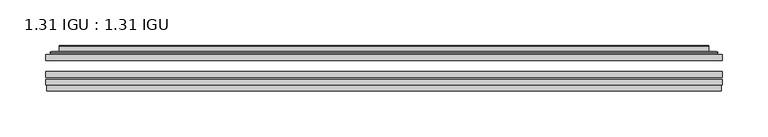
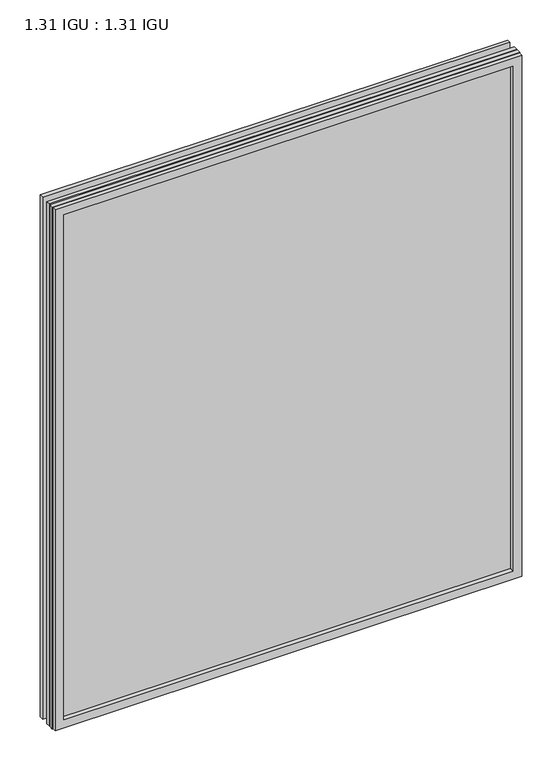
"""IFC4 building model written with IfcOpenShell, lengths in millimetres: plate geometry, 1.31 IGU : 1.31 IGU."""

from ifc_helpers import new_model, si_unit, frame, origin, place, context, project, spatial, polyline, ellipse_curve, outline, extrude, faceted_brep, source, transform, mapped, element, save
from ifc_brep_helpers import plane_surface, cylinder_surface, advanced_brep


def plate_1_31_igu_1_31_igu_f3cb503d(model_context):
    return source(origin(), model_context, "Body", "SolidModel", [
        extrude(outline(polyline([(368.3609066, -63.59525), (368.3609066, -69.94525), (-368.3467316, -69.94525), (-368.3467316, -63.59525), (368.3609066, -63.59525)])), frame((0.0, 0.0, -14.2875), z_axis=(0.0, 0.0, 1.0), x_axis=(1.0, 0.0, 0.0)), (0.0, 0.0, 1.0), 869.9537979),
        extrude(outline(polyline([(-368.3467316, -78.58125), (-368.3467316, -72.230745), (368.3609066, -72.230745), (368.3609066, -78.58125), (-368.3467316, -78.58125)])), frame((0.0, 0.0, -14.2875), z_axis=(0.0, 0.0, 1.0), x_axis=(1.0, 0.0, 0.0)), (0.0, 0.0, 1.0), 869.9537979),
        extrude(outline(polyline([(368.3609066, -45.25645), (368.3609066, -51.60645), (-368.3467316, -51.60645), (-368.3467316, -45.25645), (368.3609066, -45.25645)])), frame((0.0, 0.0, -14.2875), z_axis=(0.0, 0.0, 1.0), x_axis=(1.0, 0.0, 0.0)), (0.0, 0.0, 1.0), 869.9537979),
        faceted_brep([(-367.6465459, -84.93125, 854.9623142), (-367.6465459, -78.58125, 854.9623142), (-367.6465459, -78.58125, -13.5873142), (-367.6465459, -84.93125, -13.5873142), (367.6465459, -78.58125, -13.5873142), (367.6465459, -84.93125, -13.5873142), (367.6465459, -78.58125, 854.9623142), (367.6465459, -84.93125, 854.9623142), (-353.1614875, -78.58125, 0.8977441), (353.1614875, -78.58125, 0.8977441), (353.1614875, -78.58125, 840.4772559), (-353.1614875, -78.58125, 840.4772559), (-354.0539218, -84.93125, 841.3696902), (354.0539218, -84.93125, 841.3696902), (354.0539218, -84.93125, 0.0053098), (-354.0539218, -84.93125, 0.0053098)], [[[0, 1, 2, 3]], [[3, 2, 4, 5]], [[5, 4, 6, 7]], [[1, 6, 4, 2], [8, 9, 10, 11]], [[7, 6, 1, 0]], [[3, 5, 7, 0], [12, 13, 14, 15]], [[11, 12, 15, 8]], [[8, 15, 14, 9]], [[9, 14, 13, 10]], [[10, 13, 12, 11]]]),
        advanced_brep(
        [(-361.1054507, -45.25645, 848.4212191), (-363.459656, -43.2667833, 850.7754244), (-363.459656, -43.2667833, -9.4004244), (-361.1054507, -45.25645, -7.046219), (-352.0311255, -41.416413, 839.3468939), (-347.0962937, -45.25645, 834.4120621), (-347.0962937, -45.25645, 6.9629379), (-352.0311255, -41.416413, 2.0281061), (-353.0631533, -36.0191819, 840.3789217), (-353.0631533, -36.0191819, 0.9960783), (-354.0538101, -35.6202069, 841.3695784), (-354.0538101, -35.6202069, 0.0054216), (-354.0538101, -42.08145, 841.3695784), (-354.0538101, -42.08145, 0.0054216), (-362.4578665, -42.08145, 849.7736349), (-362.4578665, -42.08145, -8.3986349), (363.459656, -43.2667833, -9.4004244), (361.1054507, -45.25645, -7.046219), (347.0962937, -45.25645, 6.9629379), (352.0311255, -41.416413, 2.0281061), (353.0631533, -36.0191819, 0.9960783), (354.0538101, -35.6202069, 0.0054216), (354.0538101, -42.08145, 0.0054216), (362.4578665, -42.08145, -8.3986349), (363.459656, -43.2667833, 850.7754244), (361.1054507, -45.25645, 848.4212191), (347.0962937, -45.25645, 834.4120621), (352.0311255, -41.416413, 839.3468939), (353.0631533, -36.0191819, 840.3789217), (354.0538101, -35.6202069, 841.3695784), (354.0538101, -42.08145, 841.3695784), (362.4578665, -42.08145, 849.7736349)],
        [
            (0, 1, ellipse_curve(frame((-361.1054507, -42.86885, 848.4212191), z_axis=(-0.7071067811865475, 0.0, -0.7071067811865475), x_axis=(-0.7071067811865474, 0.0, 0.7071067811865476)), 3.3765763, 2.3876)),
            (1, 2),
            (2, 3, ellipse_curve(frame((-361.1054507, -42.86885, -7.046219), z_axis=(-0.7071067811865475, 0.0, 0.7071067811865475), x_axis=(0.7071067811865474, 0.0, 0.7071067811865476)), 3.3765763, 2.3876)),
            (3, 0),
            (4, 5),
            (5, 6),
            (6, 7),
            (7, 4),
            (8, 4),
            (7, 9),
            (9, 8),
            (10, 8, ellipse_curve(frame((-353.6868535, -36.1384423, 841.0026219), z_axis=(-0.7071067811865475, 0.0, -0.7071067811865475), x_axis=(-0.7071067811865474, 0.0, 0.7071067811865476)), 0.8980256, 0.635)),
            (9, 11, ellipse_curve(frame((-353.6868535, -36.1384423, 0.3723781), z_axis=(-0.7071067811865475, 0.0, 0.7071067811865475), x_axis=(0.7071067811865474, 0.0, 0.7071067811865476)), 0.8980256, 0.635)),
            (11, 10),
            (12, 10),
            (11, 13),
            (13, 12),
            (1, 14, ellipse_curve(frame((-362.4578665, -43.09745, 849.7736349), z_axis=(-0.7071067811865475, 0.0, -0.7071067811865475), x_axis=(-0.7071067811865474, 0.0, 0.7071067811865476)), 1.436841, 1.016)),
            (14, 15),
            (15, 2, ellipse_curve(frame((-362.4578665, -43.09745, -8.3986349), z_axis=(-0.7071067811865475, 0.0, 0.7071067811865475), x_axis=(0.7071067811865474, 0.0, 0.7071067811865476)), 1.436841, 1.016)),
            (2, 16),
            (16, 17, ellipse_curve(frame((361.1054507, -42.86885, -7.046219), z_axis=(-0.7071067811865475, 0.0, -0.7071067811865475), x_axis=(-0.7071067811865476, 0.0, 0.7071067811865474)), 3.3765763, 2.3876)),
            (17, 3),
            (6, 18),
            (18, 19),
            (19, 7),
            (19, 20),
            (20, 9),
            (20, 21, ellipse_curve(frame((353.6868535, -36.1384423, 0.3723781), z_axis=(-0.7071067811865475, 0.0, -0.7071067811865475), x_axis=(-0.7071067811865476, 0.0, 0.7071067811865474)), 0.8980256, 0.635)),
            (21, 11),
            (21, 22),
            (22, 13),
            (15, 23),
            (23, 16, ellipse_curve(frame((362.4578665, -43.09745, -8.3986349), z_axis=(-0.7071067811865475, 0.0, -0.7071067811865475), x_axis=(-0.7071067811865476, 0.0, 0.7071067811865474)), 1.436841, 1.016)),
            (16, 24),
            (24, 25, ellipse_curve(frame((361.1054507, -42.86885, 848.4212191), z_axis=(0.7071067811865475, 0.0, -0.7071067811865475), x_axis=(-0.7071067811865474, 0.0, -0.7071067811865476)), 3.3765763, 2.3876)),
            (25, 17),
            (18, 26),
            (26, 27),
            (27, 19),
            (27, 28),
            (28, 20),
            (28, 29, ellipse_curve(frame((353.6868535, -36.1384423, 841.0026219), z_axis=(0.7071067811865475, 0.0, -0.7071067811865475), x_axis=(-0.7071067811865474, 0.0, -0.7071067811865476)), 0.8980256, 0.635)),
            (29, 21),
            (29, 30),
            (30, 22),
            (23, 31),
            (31, 24, ellipse_curve(frame((362.4578665, -43.09745, 849.7736349), z_axis=(0.7071067811865475, 0.0, -0.7071067811865475), x_axis=(-0.7071067811865474, 0.0, -0.7071067811865476)), 1.436841, 1.016)),
            (24, 1),
            (0, 25),
            (5, 26),
            (4, 27),
            (8, 28),
            (10, 29),
            (12, 30),
            (14, 31),
        ],
        [
            cylinder_surface(frame((-361.1054507, -42.86885, 873.125), z_axis=(0.0, 0.0, 1.0), x_axis=(-1.0, 0.0, 0.0)), 2.3876),
            plane_surface(frame((-347.0962937, -45.25645, 834.4120621), z_axis=(0.6141233906514794, 0.7892100234124821, 0.0), x_axis=(0.0, 0.0, -1.0))),
            plane_surface(frame((-352.0311255, -41.416413, 839.3468939), z_axis=(0.9822050625507729, 0.18781164793386074, 0.0), x_axis=(0.0, 0.0, -1.0))),
            cylinder_surface(frame((-353.6868535, -36.1384423, 873.125), z_axis=(0.0, 0.0, 1.0), x_axis=(-1.0, 0.0, 0.0)), 0.635),
            plane_surface(frame((-354.0538101, -35.6202069, 841.3695784), z_axis=(-1.0, 0.0, 0.0), x_axis=(0.0, 0.0, -1.0))),
            cylinder_surface(frame((-362.4578665, -43.09745, 873.125), z_axis=(0.0, 0.0, 1.0), x_axis=(-1.0, 0.0, 0.0)), 1.016),
            cylinder_surface(frame((-385.8092316, -42.86885, -7.046219), z_axis=(-1.0, 0.0, 0.0), x_axis=(0.0, 0.0, -1.0)), 2.3876),
            plane_surface(frame((-347.0962937, -45.25645, 6.9629379), z_axis=(0.0, 0.7892100234124841, 0.6141233906514768), x_axis=(1.0, 0.0, 0.0))),
            plane_surface(frame((-352.0311255, -41.416413, 2.0281061), z_axis=(0.0, 0.18781164793386393, 0.9822050625507723), x_axis=(1.0, 0.0, 0.0))),
            cylinder_surface(frame((-385.8092316, -36.1384423, 0.3723781), z_axis=(-1.0, 0.0, 0.0), x_axis=(0.0, 0.0, -1.0)), 0.635),
            plane_surface(frame((-354.0538101, -35.6202069, 0.0054216), z_axis=(0.0, 0.0, -1.0), x_axis=(1.0, 0.0, 0.0))),
            cylinder_surface(frame((-385.8092316, -43.09745, -8.3986349), z_axis=(-1.0, 0.0, 0.0), x_axis=(0.0, 0.0, -1.0)), 1.016),
            cylinder_surface(frame((361.1054507, -42.86885, -31.75), z_axis=(0.0, 0.0, -1.0), x_axis=(1.0, 0.0, 0.0)), 2.3876),
            plane_surface(frame((347.0962937, -45.25645, 6.9629379), z_axis=(-0.6141233906514743, 0.7892100234124861, 0.0), x_axis=(0.0, 0.0, 1.0))),
            plane_surface(frame((352.0311255, -41.416413, 2.0281061), z_axis=(-0.9822050625507718, 0.18781164793386712, 0.0), x_axis=(0.0, 0.0, 1.0))),
            cylinder_surface(frame((353.6868535, -36.1384423, -31.75), z_axis=(0.0, 0.0, -1.0), x_axis=(1.0, 0.0, 0.0)), 0.635),
            plane_surface(frame((354.0538101, -35.6202069, 0.0054216), z_axis=(1.0, 0.0, 0.0), x_axis=(0.0, 0.0, 1.0))),
            cylinder_surface(frame((362.4578665, -43.09745, -31.75), z_axis=(0.0, 0.0, -1.0), x_axis=(1.0, 0.0, 0.0)), 1.016),
            cylinder_surface(frame((385.8092316, -42.86885, 848.4212191), z_axis=(1.0, 0.0, 0.0), x_axis=(0.0, 0.0, 1.0)), 2.3876),
            plane_surface(frame((361.1054507, -45.25645, 848.4212191), z_axis=(0.0, -1.0, 0.0), x_axis=(-1.0, 0.0, 0.0))),
            plane_surface(frame((347.0962937, -45.25645, 834.4120621), z_axis=(0.0, 0.7892100234124841, -0.6141233906514768), x_axis=(-1.0, 0.0, 0.0))),
            plane_surface(frame((352.0311255, -41.416413, 839.3468939), z_axis=(0.0, 0.18781164793386393, -0.9822050625507723), x_axis=(-1.0, 0.0, 0.0))),
            cylinder_surface(frame((385.8092316, -36.1384423, 841.0026219), z_axis=(1.0, 0.0, 0.0), x_axis=(0.0, 0.0, 1.0)), 0.635),
            plane_surface(frame((354.0538101, -35.6202069, 841.3695784), z_axis=(0.0, 0.0, 1.0), x_axis=(-1.0, 0.0, 0.0))),
            plane_surface(frame((354.0538101, -42.08145, 841.3695784), z_axis=(0.0, 1.0, 0.0), x_axis=(-1.0, 0.0, 0.0))),
            cylinder_surface(frame((385.8092316, -43.09745, 849.7736349), z_axis=(1.0, 0.0, 0.0), x_axis=(0.0, 0.0, 1.0)), 1.016),
        ],
        [
            (0, [[1, 2, 3, 4]]),
            (1, [[5, 6, 7, 8]]),
            (2, [[9, -8, 10, 11]]),
            (3, [[12, -11, 13, 14]]),
            (4, [[15, -14, 16, 17]]),
            (5, [[18, 19, 20, -2]]),
            (6, [[-3, 21, 22, 23]]),
            (7, [[-7, 24, 25, 26]]),
            (8, [[-10, -26, 27, 28]]),
            (9, [[-13, -28, 29, 30]]),
            (10, [[-16, -30, 31, 32]]),
            (11, [[-20, 33, 34, -21]]),
            (12, [[-22, 35, 36, 37]]),
            (13, [[-25, 38, 39, 40]]),
            (14, [[-27, -40, 41, 42]]),
            (15, [[-29, -42, 43, 44]]),
            (16, [[-31, -44, 45, 46]]),
            (17, [[-34, 47, 48, -35]]),
            (18, [[-36, 49, -1, 50]]),
            (19, [[-23, -37, -50, -4], [51, -38, -24, -6]]),
            (20, [[-39, -51, -5, 52]]),
            (21, [[-41, -52, -9, 53]]),
            (22, [[-43, -53, -12, 54]]),
            (23, [[-45, -54, -15, 55]]),
            (24, [[56, -47, -33, -19], [-32, -46, -55, -17]]),
            (25, [[-48, -56, -18, -49]]),
        ],
    ),
    ])


if __name__ == "__main__":
    model = new_model("IFC4")
    model_context = context("Model", 3, world=origin())
    ifc_project = project(units=[si_unit("LENGTHUNIT", "METRE", prefix="MILLI")], contexts=[model_context])
    site = spatial("IfcSite", under=ifc_project)
    building = spatial("IfcBuilding", under=site)
    placement = place(None, origin())
    plate_1_31_igu_1_31_igu_shape = plate_1_31_igu_1_31_igu_f3cb503d(model_context)
    element("IfcPlate", 1, ObjectType="1.31 IGU : 1.31 IGU", at=placement, inside=building, context=model_context, shape_type="MappedRepresentation", body=[
        mapped(plate_1_31_igu_1_31_igu_shape, transform((0.0, 0.0, 0.0), x_axis=(1.0, 0.0, 0.0), y_axis=(0.0, 1.0, 0.0), z_axis=(0.0, 0.0, 1.0))),
    ])
    save(model, "model.ifc")
